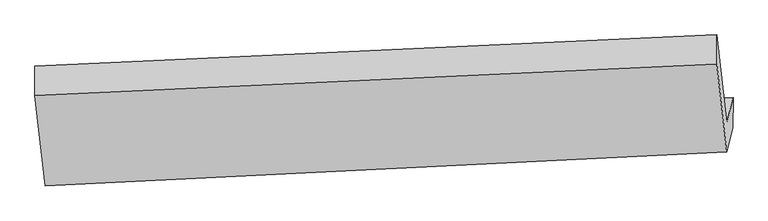
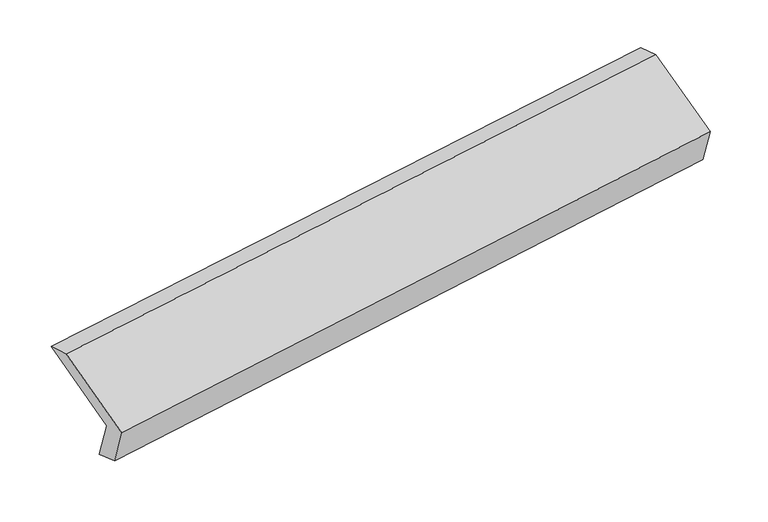
"""IFC4 building model written with IfcOpenShell, lengths in millimetres: proxy geometry."""

from ifc_helpers import new_model, si_unit, origin, place, context, project, spatial, faceted_brep, source, transform, mapped, element, save


def generic_models_30958b63(model_context):
    return source(origin(), model_context, "Body", "Brep", [
        faceted_brep([(-5142.0058757, -1609.6930634, 1221.6636486), (-5184.7121508, -1781.2583152, 1572.2612303), (-518.705657, -1548.4458584, 2254.5542565), (-475.9993819, -1376.8806065, 1903.9566749), (-5143.0907727, -1816.3650022, 1295.0837655), (-477.0842789, -1583.5525453, 1977.3767917), (-5184.7094164, -1983.5608786, 1636.7524269), (-518.7029227, -1750.7484218, 2319.0454531), (-5255.8368966, -1363.1087393, 1931.7072218), (-587.7707221, -1148.2630835, 2605.4590669), (-5255.8396309, -1160.8061759, 1867.2160252), (-587.7734565, -945.9605202, 2540.9678703)], [[[0, 1, 2, 3]], [[4, 0, 3, 5]], [[6, 4, 5, 7]], [[8, 6, 7, 9]], [[10, 8, 9, 11]], [[1, 10, 11, 2]], [[9, 7, 5, 3, 2, 11]], [[1, 0, 4, 6, 8, 10]]]),
    ])


if __name__ == "__main__":
    model = new_model("IFC4")
    model_context = context("Model", 3, world=origin())
    ifc_project = project(units=[si_unit("LENGTHUNIT", "METRE", prefix="MILLI")], contexts=[model_context])
    site = spatial("IfcSite", under=ifc_project)
    building = spatial("IfcBuilding", under=site)
    placement = place(None, origin())
    generic_models_shape = generic_models_30958b63(model_context)
    element("IfcBuildingElementProxy", 1, Name="Generic Models", at=placement, inside=building, context=model_context, shape_type="MappedRepresentation", body=[
        mapped(generic_models_shape, transform((0.0, 0.0, 0.0), x_axis=(1.0, 0.0, 0.0), y_axis=(0.0, 1.0, 0.0), z_axis=(0.0, 0.0, 1.0))),
    ])
    save(model, "model.ifc")
